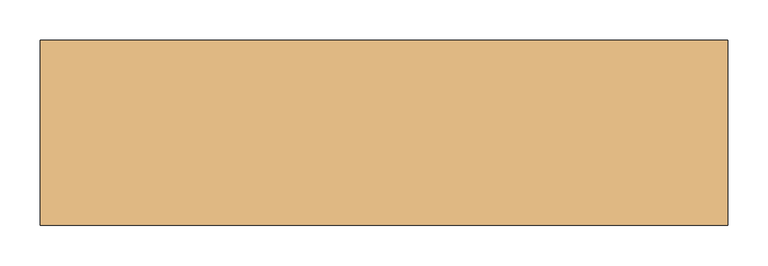
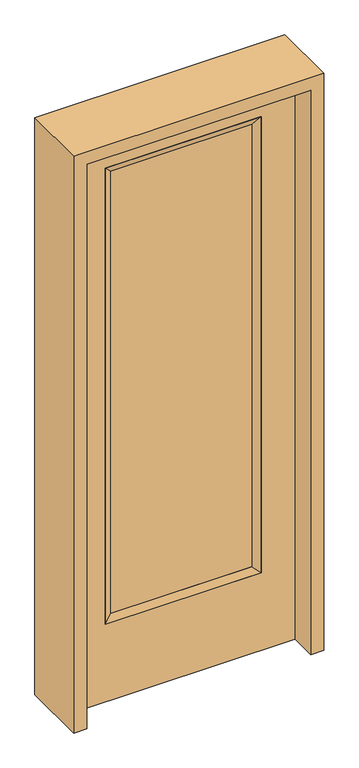
"""IFC4 building model written with IfcOpenShell, lengths in millimetres: door geometry."""

from ifc_helpers import new_model, si_unit, frame, origin, place, context, project, spatial, polyline, outline, extrude, faceted_brep, source, transform, mapped, element, save


def door_cef2242e(model_context):
    return source(origin(), model_context, "Body", "SolidModel", [
        extrude(outline(polyline([(240.1824, -12.7039749), (-240.1824, -12.7039749), (-240.1824, 14.2875), (240.1824, 14.2875), (240.1824, -12.7039749)])), frame((0.0, 0.0, 304.8), z_axis=(0.0, 0.0, 1.0), x_axis=(1.0, 0.0, 0.0)), (0.0, 0.0, 1.0), 1591.1576),
        faceted_brep([(240.1824, 14.2875, 1895.9576), (265.5824, 22.225, 1921.3576), (265.5824, 22.225, 279.4), (240.1824, 14.2875, 304.8), (265.5824, -22.225, 1921.3576), (265.5824, -22.225, 279.4), (-265.5824, 22.225, 279.4), (-240.1824, 14.2875, 304.8), (240.1824, -12.7039749, 1895.9576), (240.1824, -12.7039749, 304.8), (-240.1824, -12.7039749, 304.8), (-265.5824, -22.225, 279.4), (-265.5824, 22.225, 1921.3576), (-240.1824, 14.2875, 1895.9576), (-240.1824, -12.7039749, 1895.9576), (-265.5824, -22.225, 1921.3576)], [[[0, 1, 2, 3]], [[1, 4, 5, 2]], [[3, 2, 6, 7]], [[8, 0, 3, 9]], [[9, 3, 7, 10]], [[4, 8, 9, 5]], [[5, 9, 10, 11]], [[2, 5, 11, 6]], [[7, 6, 12, 13]], [[10, 7, 13, 14]], [[11, 10, 14, 15]], [[6, 11, 15, 12]], [[13, 12, 1, 0]], [[14, 13, 0, 8]], [[15, 14, 8, 4]], [[12, 15, 4, 1]]]),
        extrude(outline(polyline([(0.0, -381.0), (0.0, 381.0), (2032.0, 381.0), (2032.0, -381.0), (0.0, -381.0)]), holes=[polyline([(279.4, -265.5824), (1921.3576, -265.5824), (1921.3576, 265.5824), (279.4, 265.5824), (279.4, -265.5824)])]), frame((0.0, -22.225, 0.0), z_axis=(0.0, 1.0, 0.0), x_axis=(0.0, 0.0, 1.0)), (0.0, 0.0, 1.0), 44.45),
        extrude(outline(polyline([(0.0, -425.45), (0.0, -381.0), (2032.0, -381.0), (2032.0, 381.0), (0.0, 381.0), (0.0, 425.45), (2076.45, 425.45), (2076.45, -425.45), (0.0, -425.45)])), frame((0.0, -114.3, 0.0), z_axis=(0.0, 1.0, 0.0), x_axis=(0.0, 0.0, 1.0)), (0.0, 0.0, 1.0), 228.6),
    ])


if __name__ == "__main__":
    model = new_model("IFC4")
    model_context = context("Model", 3, world=origin())
    ifc_project = project(units=[si_unit("LENGTHUNIT", "METRE", prefix="MILLI")], contexts=[model_context])
    site = spatial("IfcSite", under=ifc_project)
    building = spatial("IfcBuilding", under=site)
    placement = place(None, origin())
    door_shape = door_cef2242e(model_context)
    element("IfcDoor", 1, at=placement, inside=building, context=model_context, shape_type="MappedRepresentation", body=[
        mapped(door_shape, transform((0.0, 0.0, 0.0), x_axis=(1.0, 0.0, 0.0), y_axis=(0.0, 1.0, 0.0), z_axis=(0.0, 0.0, 1.0))),
    ])
    save(model, "model.ifc")
